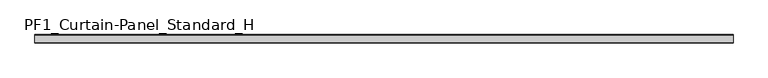
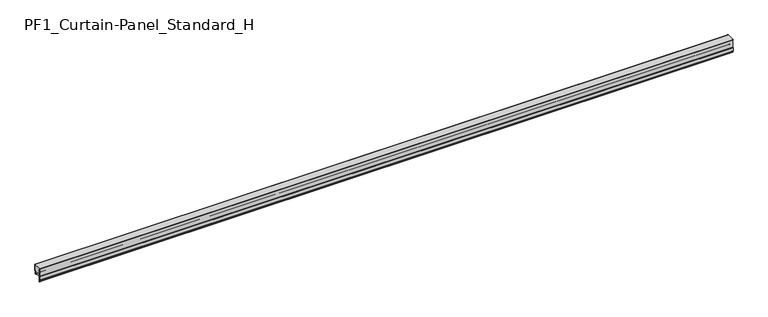
"""IFC4 building model written with IfcOpenShell, lengths in millimetres: plate geometry, PF1_Curtain-Panel_Standard_H."""

import ifcopenshell
import ifcopenshell.guid

model = None  # the IFC model being written
_history = None  # IfcOwnerHistory: only IFC2X3 demands one
_inside = {}  # id of a spatial element -> (the spatial element, [elements in it])
_under = {}  # id of a project, library or spatial element -> (it, [spatial elements below it])
_declared = {}  # id of a project -> (the project, [libraries it declares])
_typed = {}  # id of a type object -> (the type object, [elements of that type])
_made_of = {}  # id of a material, layer set ... -> (it, [elements and type objects made of it])


def new_model(schema):
    """Start an empty IFC model of exactly this schema.

    Asked for "IFC4X3", IfcOpenShell would pick the latest addendum, in which some entities
    have other attributes; the version numbers below select the first issue.
    IFC2X3 requires an IfcOwnerHistory on every rooted entity: one is made here for all.
    """
    global model, _history
    if schema == "IFC4X3":
        model = ifcopenshell.file(schema_version=(4, 3, 0, 0))
    else:
        model = ifcopenshell.file(schema=schema)
    _inside.clear()
    _under.clear()
    _declared.clear()
    _typed.clear()
    _made_of.clear()
    _history = None
    if model.schema == "IFC2X3":
        org = make("IfcOrganization", Name="unknown")
        user = make(
            "IfcPersonAndOrganization",
            ThePerson=make("IfcPerson", FamilyName="unknown"),
            TheOrganization=org,
        )
        app = make(
            "IfcApplication",
            ApplicationDeveloper=org,
            Version="unknown",
            ApplicationFullName="unknown",
            ApplicationIdentifier="unknown",
        )
        _history = make(
            "IfcOwnerHistory",
            OwningUser=user,
            OwningApplication=app,
            ChangeAction="ADDED",
            CreationDate=0,
        )
    return model


def make(cls, **values):
    """One entity of the class cls with the attributes given. An attribute that is None is left unset."""
    return model.create_entity(
        cls, **{name: value for name, value in values.items() if value is not None}
    )


def rooted(cls, **values):
    """An entity with a GlobalId (a new one), such as an element, a storey or a relation."""
    return make(cls, GlobalId=ifcopenshell.guid.new(), OwnerHistory=_history, **values)


def si_unit(unit_type, name, prefix=None):
    """IfcSIUnit, for example si_unit("LENGTHUNIT", "METRE", prefix="MILLI")."""
    return make("IfcSIUnit", UnitType=unit_type, Prefix=prefix, Name=name)


def assignment(units):
    """IfcUnitAssignment: the units of a project."""
    return None if units is None else make("IfcUnitAssignment", Units=units)


def point(xyz):
    """IfcCartesianPoint."""
    return None if xyz is None else make("IfcCartesianPoint", Coordinates=xyz)


def direction(xyz):
    """IfcDirection."""
    return None if xyz is None else make("IfcDirection", DirectionRatios=xyz)


def frame(location, z_axis=None, x_axis=None):
    """IfcAxis2Placement3D, a coordinate frame: its origin and axes. An axis left out is left unset."""
    return make(
        "IfcAxis2Placement3D",
        Location=point(location),
        Axis=direction(z_axis),
        RefDirection=direction(x_axis),
    )


def frame_2d(location, x_axis=None):
    """IfcAxis2Placement2D, a coordinate frame in the plane: its origin and x axis."""
    return make(
        "IfcAxis2Placement2D", Location=point(location), RefDirection=direction(x_axis)
    )


def origin():
    """The frame at (0, 0, 0) with its axes left unset."""
    return frame((0.0, 0.0, 0.0))


def place(relative_to, where):
    """IfcLocalPlacement: puts the frame where relative to a parent placement (None: the world)."""
    return make(
        "IfcLocalPlacement", PlacementRelTo=relative_to, RelativePlacement=where
    )


def context(
    kind, dimensions, precision=None, world=None, true_north=None, identifier=None
):
    """IfcGeometricRepresentationContext, for example the 3D "Model" context."""
    return make(
        "IfcGeometricRepresentationContext",
        ContextIdentifier=identifier,
        ContextType=kind,
        CoordinateSpaceDimension=dimensions,
        Precision=precision,
        WorldCoordinateSystem=world,
        TrueNorth=true_north,
    )


def project(units=None, contexts=None):
    """IfcProject with its units and contexts."""
    return rooted(
        "IfcProject",
        Name="project",
        RepresentationContexts=contexts,
        UnitsInContext=assignment(units),
    )


def spatial(cls, under=None, at=None, **own):
    """A site, building, storey or space (cls), placed at a placement, below another one or the project."""
    s = rooted(cls, ObjectPlacement=at, **own)
    if under is not None:
        _under.setdefault(under.id(), (under, []))[1].append(s)
    return s


def polyline(points):
    """IfcPolyline through the points."""
    return make("IfcPolyline", Points=[point(p) for p in points])


def circle_curve(where, radius):
    """IfcCircle in the frame where."""
    return make("IfcCircle", Position=where, Radius=radius)


def trimmed(basis, trim1, trim2, sense, master):
    """IfcTrimmedCurve: the piece of a basis curve between two trims."""
    return make(
        "IfcTrimmedCurve",
        BasisCurve=basis,
        Trim1=trim1,
        Trim2=trim2,
        SenseAgreement=sense,
        MasterRepresentation=master,
    )


def segment(curve, same_sense, transition):
    """IfcCompositeCurveSegment."""
    return make(
        "IfcCompositeCurveSegment",
        Transition=transition,
        SameSense=same_sense,
        ParentCurve=curve,
    )


def composite_curve(segments, self_intersect=None):
    """IfcCompositeCurve: segments joined end to end."""
    return make("IfcCompositeCurve", Segments=segments, SelfIntersect=self_intersect)


def outline(outer, holes=None, kind="AREA"):
    """IfcArbitraryClosedProfileDef: a profile drawn as a closed curve; with holes, ...WithVoids."""
    if holes is None:
        return make("IfcArbitraryClosedProfileDef", ProfileType=kind, OuterCurve=outer)
    return make(
        "IfcArbitraryProfileDefWithVoids",
        ProfileType=kind,
        OuterCurve=outer,
        InnerCurves=holes,
    )


def extrude(swept, where, along, depth):
    """IfcExtrudedAreaSolid: the profile swept, set in the frame where, extruded along a direction by depth."""
    return make(
        "IfcExtrudedAreaSolid",
        SweptArea=swept,
        Position=where,
        ExtrudedDirection=direction(along),
        Depth=depth,
    )


def shape(context_of_items, identifier, shape_type, items):
    """IfcShapeRepresentation: the items that make up one representation, for example the "Body"."""
    return make(
        "IfcShapeRepresentation",
        ContextOfItems=context_of_items,
        RepresentationIdentifier=identifier,
        RepresentationType=shape_type,
        Items=items,
    )


def source(mapping_origin, context_of_items, identifier, shape_type, items):
    """IfcRepresentationMap: a shape defined once, which mapped items show again and again."""
    return make(
        "IfcRepresentationMap",
        MappingOrigin=mapping_origin,
        MappedRepresentation=shape(context_of_items, identifier, shape_type, items),
    )


def transform(
    local_origin,
    x_axis=None,
    y_axis=None,
    z_axis=None,
    scale=None,
    scale2=None,
    scale3=None,
    uniform=True,
):
    """IfcCartesianTransformationOperator3D, or its non-uniform kind. x_axis, y_axis, z_axis: its Axis1, 2, 3."""
    if uniform:
        return make(
            "IfcCartesianTransformationOperator3D",
            Axis1=direction(x_axis),
            Axis2=direction(y_axis),
            LocalOrigin=point(local_origin),
            Scale=scale,
            Axis3=direction(z_axis),
        )
    return make(
        "IfcCartesianTransformationOperator3DnonUniform",
        Axis1=direction(x_axis),
        Axis2=direction(y_axis),
        LocalOrigin=point(local_origin),
        Scale=scale,
        Axis3=direction(z_axis),
        Scale2=scale2,
        Scale3=scale3,
    )


def mapped(mapping_source, mapping_target):
    """IfcMappedItem: shows the shape of a source again, moved by a transform."""
    return make(
        "IfcMappedItem", MappingSource=mapping_source, MappingTarget=mapping_target
    )


def made_of(thing, what):
    """Note that an element or type object is made of a material, layer set ...; save() writes the relation."""
    if what is not None:
        _made_of.setdefault(what.id(), (what, []))[1].append(thing)
    return thing


def element(
    cls,
    number,
    at=None,
    inside=None,
    cuts=None,
    type_object=None,
    material=None,
    context=None,
    identifier="Body",
    shape_type=None,
    held_by="IfcProductDefinitionShape",
    body=None,
    shapes=None,
    **own,
):
    """One element of the class cls, such as IfcWall. Its Tag is "e" and its number.

    at: its placement. inside: the storey or other place that contains it. cuts: it is an
    opening in that element (IfcRelVoidsElement). A single representation is given by context,
    identifier, shape_type and body (its items); several are given by shapes. held_by: the class
    of the entity that holds the representations. save() writes the other relations.
    """
    e = rooted(cls, Tag="e%d" % number, ObjectPlacement=at, **own)
    if body is not None:
        shapes = [shape(context, identifier, shape_type, body)]
    if shapes is not None:
        e.Representation = make(held_by, Representations=shapes)
    if inside is not None:
        _inside.setdefault(inside.id(), (inside, []))[1].append(e)
    if cuts is not None:
        rooted(
            "IfcRelVoidsElement", RelatingBuildingElement=cuts, RelatedOpeningElement=e
        )
    if type_object is not None:
        _typed.setdefault(type_object.id(), (type_object, []))[1].append(e)
    return made_of(e, material)


def aggregate(whole, parts):
    """IfcRelAggregates: a whole, such as a stair, and the parts it consists of."""
    return rooted("IfcRelAggregates", RelatingObject=whole, RelatedObjects=parts)


def save(model, path):
    """Write the relations noted so far, then the file.

    IfcRelAggregates (storeys below a building ...), IfcRelContainedInSpatialStructure (elements
    in a storey), IfcRelDefinesByType, IfcRelAssociatesMaterial and IfcRelDeclares: one each for
    every whole, place, type object, material and project.
    """
    for whole, parts in _under.values():
        aggregate(whole, parts)
    for where, things in _inside.values():
        rooted(
            "IfcRelContainedInSpatialStructure",
            RelatedElements=things,
            RelatingStructure=where,
        )
    for kind, things in _typed.values():
        rooted("IfcRelDefinesByType", RelatedObjects=things, RelatingType=kind)
    for what, things in _made_of.values():
        rooted("IfcRelAssociatesMaterial", RelatedObjects=things, RelatingMaterial=what)
    for by, libraries in _declared.values():
        rooted("IfcRelDeclares", RelatingContext=by, RelatedDefinitions=libraries)
    model.write(path)


def pf1_curtain_panel_standard_h_af4c55e5(model_context):
    return source(origin(), model_context, "Body", "SweptSolid", [
        extrude(outline(composite_curve([segment(polyline([(-15.878557, 0.0), (-20.0, 0.0), (-20.0, 0.8), (-15.878557, 0.8)]), True, "CONTINUOUS"), segment(trimmed(circle_curve(frame_2d((-15.878557, -2.0)), 2.8), [point((-15.878557, 0.8))], [point((-13.1503208, -1.370137))], False, "CARTESIAN"), True, "CONTINUOUS"), segment(polyline([(-13.1503208, -1.370137), (-11.728236, -7.529863)]), True, "CONTINUOUS"), segment(trimmed(circle_curve(frame_2d((-9.0, -6.9)), 2.8), [point((-11.728236, -7.529863))], [point((-6.2, -6.9))], True, "CARTESIAN"), True, "CONTINUOUS"), segment(polyline([(-6.2, -6.9), (-6.2, 8.6)]), True, "CONTINUOUS"), segment(trimmed(circle_curve(frame_2d((-3.4, 8.6)), 2.8), [point((-6.2, 8.6))], [point((-3.4, 11.4))], False, "CARTESIAN"), True, "CONTINUOUS"), segment(polyline([(-3.4, 11.4), (-2.0, 11.4)]), True, "CONTINUOUS"), segment(trimmed(circle_curve(frame_2d((-2.0, 12.6)), 1.2), [point((-2.0, 11.4))], [point((-0.8, 12.6))], True, "CARTESIAN"), True, "CONTINUOUS"), segment(polyline([(-0.8, 12.6), (-0.8, 50.0), (0.0, 50.0), (0.0, 12.6)]), True, "CONTINUOUS"), segment(trimmed(circle_curve(frame_2d((-2.0, 12.6)), 2.0), [point((0.0, 12.6))], [point((-2.0, 10.6))], False, "CARTESIAN"), True, "CONTINUOUS"), segment(polyline([(-2.0, 10.6), (-3.4, 10.6)]), True, "CONTINUOUS"), segment(trimmed(circle_curve(frame_2d((-3.4, 8.6)), 2.0), [point((-3.4, 10.6))], [point((-5.4, 8.6))], True, "CARTESIAN"), True, "CONTINUOUS"), segment(polyline([(-5.4, 8.6), (-5.4, -6.9)]), True, "CONTINUOUS"), segment(trimmed(circle_curve(frame_2d((-9.0, -6.9)), 3.6), [point((-5.4, -6.9))], [point((-12.5077322, -7.7098239))], False, "CARTESIAN"), True, "CONTINUOUS"), segment(polyline([(-12.5077322, -7.7098239), (-13.929817, -1.5500979)]), True, "CONTINUOUS"), segment(trimmed(circle_curve(frame_2d((-15.878557, -2.0)), 2.0), [point((-13.929817, -1.5500979))], [point((-15.878557, 0.0))], True, "CARTESIAN"), True, "CONTINUOUS")], self_intersect=False)), frame((-2100.0, 0.0, 0.0), z_axis=(1.0, 0.0, 0.0), x_axis=(0.0, 1.0, 0.0)), (0.0, 0.0, 1.0), 4200.0),
        extrude(outline(composite_curve([segment(polyline([(-40.0, 0.0), (-43.5, 0.0)]), True, "CONTINUOUS"), segment(trimmed(circle_curve(frame_2d((-43.5, -2.0)), 2.0), [point((-43.5, 0.0))], [point((-45.5, -2.0))], True, "CARTESIAN"), True, "CONTINUOUS"), segment(polyline([(-45.5, -2.0), (-45.5, -33.0)]), True, "CONTINUOUS"), segment(trimmed(circle_curve(frame_2d((-46.5, -33.0)), 1.0), [point((-45.5, -33.0))], [point((-47.5, -33.0))], False, "CARTESIAN"), True, "CONTINUOUS"), segment(polyline([(-47.5, -33.0), (-47.5, -26.9)]), True, "CONTINUOUS"), segment(trimmed(circle_curve(frame_2d((-48.4, -26.9)), 0.9), [point((-47.5, -26.9))], [point((-48.4, -26.0))], True, "CARTESIAN"), True, "CONTINUOUS"), segment(trimmed(circle_curve(frame_2d((-48.4, -24.4)), 1.6), [point((-48.4, -26.0))], [point((-50.0, -24.4))], False, "CARTESIAN"), True, "CONTINUOUS"), segment(polyline([(-50.0, -24.4), (-50.0, -0.9952559), (-48.5, 1.6028217), (-48.5, 46.4028193), (-50.0, 49.0008969), (-50.0, 50.0), (-49.2, 50.0), (-49.2, 49.2152562), (-47.7, 46.6171786), (-47.7, 1.3884624), (-49.2, -1.2096152), (-49.2, -24.4)]), True, "CONTINUOUS"), segment(trimmed(circle_curve(frame_2d((-48.4, -24.4)), 0.8), [point((-49.2, -24.4))], [point((-48.4, -25.2))], True, "CARTESIAN"), True, "CONTINUOUS"), segment(trimmed(circle_curve(frame_2d((-48.6133333, -26.9)), 1.7133333), [point((-48.4, -25.2))], [point((-46.9, -26.9))], False, "CARTESIAN"), True, "CONTINUOUS"), segment(polyline([(-46.9, -26.9), (-46.9, -32.8700312)]), True, "CONTINUOUS"), segment(trimmed(circle_curve(frame_2d((-46.6, -32.8700312)), 0.3), [point((-46.9, -32.8700312))], [point((-46.3, -32.8700312))], True, "CARTESIAN"), True, "CONTINUOUS"), segment(polyline([(-46.3, -32.8700312), (-46.3, -2.0)]), True, "CONTINUOUS"), segment(trimmed(circle_curve(frame_2d((-43.5, -2.0)), 2.8), [point((-46.3, -2.0))], [point((-43.5, 0.8))], False, "CARTESIAN"), True, "CONTINUOUS"), segment(polyline([(-43.5, 0.8), (-40.0, 0.8), (-40.0, 0.0)]), True, "CONTINUOUS")], self_intersect=False)), frame((-2100.0, 0.0, 0.0), z_axis=(1.0, 0.0, 0.0), x_axis=(0.0, 1.0, 0.0)), (0.0, 0.0, 1.0), 4200.0),
        extrude(outline(composite_curve([segment(polyline([(-40.0, 0.8), (-43.5, 0.8)]), True, "CONTINUOUS"), segment(trimmed(circle_curve(frame_2d((-43.5, -2.0)), 2.8), [point((-43.5, 0.8))], [point((-46.3, -2.0))], True, "CARTESIAN"), True, "CONTINUOUS"), segment(polyline([(-46.3, -2.0), (-46.3, -32.8700312)]), True, "CONTINUOUS"), segment(trimmed(circle_curve(frame_2d((-46.6, -32.8700312)), 0.3), [point((-46.3, -32.8700312))], [point((-46.9, -32.8700312))], False, "CARTESIAN"), True, "CONTINUOUS"), segment(polyline([(-46.9, -32.8700312), (-46.9, -26.9)]), True, "CONTINUOUS"), segment(trimmed(circle_curve(frame_2d((-48.6133333, -26.9)), 1.7133333), [point((-46.9, -26.9))], [point((-48.4, -25.2))], True, "CARTESIAN"), True, "CONTINUOUS"), segment(trimmed(circle_curve(frame_2d((-48.4, -24.4)), 0.8), [point((-48.4, -25.2))], [point((-49.2, -24.4))], False, "CARTESIAN"), True, "CONTINUOUS"), segment(polyline([(-49.2, -24.4), (-49.2, -1.2096152), (-47.7, 1.3884624), (-47.7, 46.6171786), (-49.2, 49.2152562), (-49.2, 50.0), (-0.8, 50.0), (-0.8, 12.6)]), True, "CONTINUOUS"), segment(trimmed(circle_curve(frame_2d((-2.0, 12.6)), 1.2), [point((-0.8, 12.6))], [point((-2.0, 11.4))], False, "CARTESIAN"), True, "CONTINUOUS"), segment(polyline([(-2.0, 11.4), (-3.4, 11.4)]), True, "CONTINUOUS"), segment(trimmed(circle_curve(frame_2d((-3.4, 8.6)), 2.8), [point((-3.4, 11.4))], [point((-6.2, 8.6))], True, "CARTESIAN"), True, "CONTINUOUS"), segment(polyline([(-6.2, 8.6), (-6.2, -6.9)]), True, "CONTINUOUS"), segment(trimmed(circle_curve(frame_2d((-9.0, -6.9)), 2.8), [point((-6.2, -6.9))], [point((-11.7282362, -7.529863))], False, "CARTESIAN"), True, "CONTINUOUS"), segment(polyline([(-11.7282362, -7.529863), (-13.150321, -1.370137)]), True, "CONTINUOUS"), segment(trimmed(circle_curve(frame_2d((-15.878557, -2.0)), 2.8), [point((-13.150321, -1.370137))], [point((-15.878557, 0.8))], True, "CARTESIAN"), True, "CONTINUOUS"), segment(polyline([(-15.878557, 0.8), (-20.0, 0.8), (-20.0, 0.0), (-40.0, 0.0), (-40.0, 0.8)]), True, "CONTINUOUS")], self_intersect=False)), frame((-2100.0, 0.0, 0.0), z_axis=(1.0, 0.0, 0.0), x_axis=(0.0, 1.0, 0.0)), (0.0, 0.0, 1.0), 4200.0),
    ])


if __name__ == "__main__":
    model = new_model("IFC4")
    model_context = context("Model", 3, world=origin())
    ifc_project = project(units=[si_unit("LENGTHUNIT", "METRE", prefix="MILLI")], contexts=[model_context])
    site = spatial("IfcSite", under=ifc_project)
    building = spatial("IfcBuilding", under=site)
    placement = place(None, origin())
    pf1_curtain_panel_standard_h_shape = pf1_curtain_panel_standard_h_af4c55e5(model_context)
    element("IfcPlate", 1, ObjectType="PF1_Curtain-Panel_Standard_H", at=placement, inside=building, context=model_context, shape_type="MappedRepresentation", body=[
        mapped(pf1_curtain_panel_standard_h_shape, transform((0.0, 0.0, 0.0), x_axis=(1.0, 0.0, 0.0), y_axis=(0.0, 1.0, 0.0), z_axis=(0.0, 0.0, 1.0))),
    ])
    save(model, "model.ifc")
